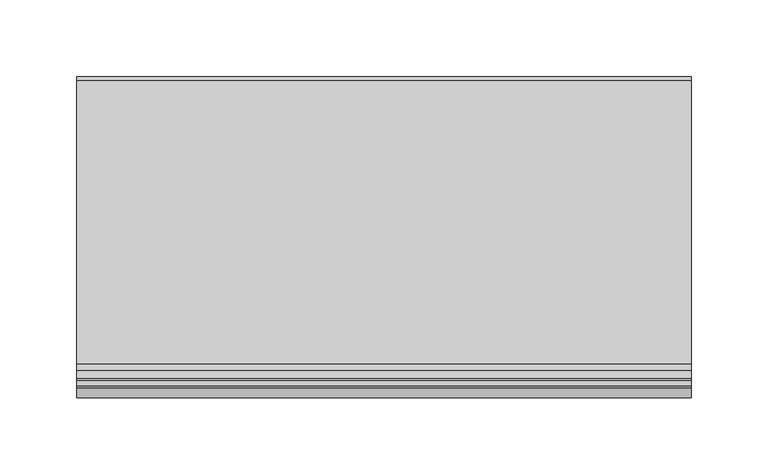
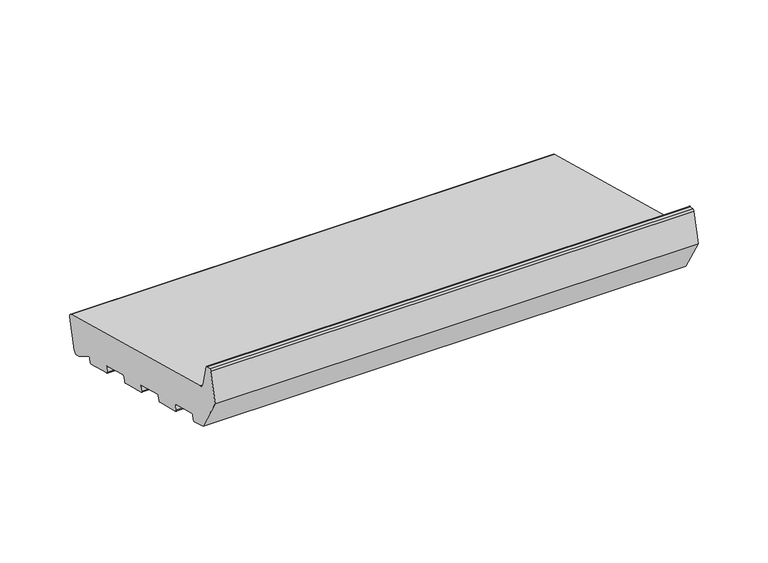
"""IFC4 building model written with IfcOpenShell, lengths in millimetres: proxy geometry."""

from ifc_helpers import new_model, si_unit, point, frame, frame_2d, origin, place, context, project, spatial, polyline, circle_curve, trimmed, segment, composite_curve, outline, extrude, source, transform, mapped, element, save


def generic_models_269deeef(model_context):
    return source(origin(), model_context, "Body", "SweptSolid", [
        extrude(outline(composite_curve([segment(polyline([(27.5646181, 4.649359), (24.8478405, 5.3773174), (10.6796108, 13.9647636)]), True, "CONTINUOUS"), segment(trimmed(circle_curve(frame_2d((10.1612808, 13.1095829)), 1.0), [point((10.6796108, 13.9647636))], [point((9.195355, 13.368402))], True, "CARTESIAN"), True, "CONTINUOUS"), segment(polyline([(9.195355, 13.368402), (8.2461016, 9.8257399)]), True, "CONTINUOUS"), segment(trimmed(circle_curve(frame_2d((7.2801757, 10.084559)), 1.0), [point((8.2461016, 9.8257399))], [point((7.0213567, 9.1186331))], False, "CARTESIAN"), True, "CONTINUOUS"), segment(polyline([(7.0213567, 9.1186331), (-15.1949373, 15.0714712)]), True, "CONTINUOUS"), segment(trimmed(circle_curve(frame_2d((-14.9361183, 16.037397)), 1.0), [point((-15.1949373, 15.0714712))], [point((-15.9020441, 16.2962161))], False, "CARTESIAN"), True, "CONTINUOUS"), segment(polyline([(-15.9020441, 16.2962161), (-14.8667679, 20.1599194)]), True, "CONTINUOUS"), segment(trimmed(circle_curve(frame_2d((-15.8326937, 20.4187384)), 1.0), [point((-14.8667679, 20.1599194))], [point((-15.5738747, 21.3846642))], True, "CARTESIAN"), True, "CONTINUOUS"), segment(polyline([(-15.5738747, 21.3846642), (-38.7560945, 27.5963213)]), True, "CONTINUOUS"), segment(trimmed(circle_curve(frame_2d((-39.0149136, 26.6303955)), 1.0), [point((-38.7560945, 27.5963213))], [point((-39.9808394, 26.8892145))], True, "CARTESIAN"), True, "CONTINUOUS"), segment(polyline([(-39.9808394, 26.8892145), (-41.0161156, 23.0255112)]), True, "CONTINUOUS"), segment(trimmed(circle_curve(frame_2d((-41.9820414, 23.2843303)), 1.0), [point((-41.0161156, 23.0255112))], [point((-42.2408604, 22.3184044))], False, "CARTESIAN"), True, "CONTINUOUS"), segment(polyline([(-42.2408604, 22.3184044), (-64.4571545, 28.2712425)]), True, "CONTINUOUS"), segment(trimmed(circle_curve(frame_2d((-64.1983354, 29.2371683)), 1.0), [point((-64.4571545, 28.2712425))], [point((-65.1642612, 29.4959874))], False, "CARTESIAN"), True, "CONTINUOUS"), segment(polyline([(-65.1642612, 29.4959874), (-64.1289851, 33.3596907)]), True, "CONTINUOUS"), segment(trimmed(circle_curve(frame_2d((-65.0949109, 33.6185097)), 1.0), [point((-64.1289851, 33.3596907))], [point((-64.8360918, 34.5844355))], True, "CARTESIAN"), True, "CONTINUOUS"), segment(polyline([(-64.8360918, 34.5844355), (-88.0183117, 40.7960926)]), True, "CONTINUOUS"), segment(trimmed(circle_curve(frame_2d((-88.2771307, 39.8301668)), 1.0), [point((-88.0183117, 40.7960926))], [point((-89.2430565, 40.0889858))], True, "CARTESIAN"), True, "CONTINUOUS"), segment(polyline([(-89.2430565, 40.0889858), (-90.2783327, 36.2252825)]), True, "CONTINUOUS"), segment(trimmed(circle_curve(frame_2d((-91.2442585, 36.4841016)), 1.0), [point((-90.2783327, 36.2252825))], [point((-91.5030776, 35.5181757))], False, "CARTESIAN"), True, "CONTINUOUS"), segment(polyline([(-91.5030776, 35.5181757), (-113.7193716, 41.4710138)]), True, "CONTINUOUS"), segment(trimmed(circle_curve(frame_2d((-113.4605525, 42.4369396)), 1.0), [point((-113.7193716, 41.4710138))], [point((-114.4264784, 42.6957587))], False, "CARTESIAN"), True, "CONTINUOUS"), segment(polyline([(-114.4264784, 42.6957587), (-113.3912022, 46.559462)]), True, "CONTINUOUS"), segment(trimmed(circle_curve(frame_2d((-114.357128, 46.818281)), 1.0), [point((-113.3912022, 46.559462))], [point((-114.098309, 47.7842068))], True, "CARTESIAN"), True, "CONTINUOUS"), segment(polyline([(-114.098309, 47.7842068), (-137.2805288, 53.9958639)]), True, "CONTINUOUS"), segment(trimmed(circle_curve(frame_2d((-137.5393479, 53.0299381)), 1.0), [point((-137.2805288, 53.9958639))], [point((-138.5052737, 53.2887571))], True, "CARTESIAN"), True, "CONTINUOUS"), segment(polyline([(-138.5052737, 53.2887571), (-139.5405499, 49.4250538)]), True, "CONTINUOUS"), segment(trimmed(circle_curve(frame_2d((-140.5064757, 49.6838729)), 1.0), [point((-139.5405499, 49.4250538))], [point((-140.7652947, 48.717947))], False, "CARTESIAN"), True, "CONTINUOUS"), segment(polyline([(-140.7652947, 48.717947), (-153.3223305, 52.0825946), (-171.0, 82.7012164), (-164.4291321, 107.2240293)]), True, "CONTINUOUS"), segment(trimmed(circle_curve(frame_2d((-162.9802434, 106.8358007)), 1.5), [point((-164.4291321, 107.2240293))], [point((-162.9802434, 108.3358007))], False, "CARTESIAN"), True, "CONTINUOUS"), segment(polyline([(-162.9802434, 108.3358007), (-159.6368689, 108.3358007)]), True, "CONTINUOUS"), segment(trimmed(circle_curve(frame_2d((-159.6368689, 106.8358007)), 1.5), [point((-159.6368689, 108.3358007))], [point((-158.1879801, 107.2240293))], False, "CARTESIAN"), True, "CONTINUOUS"), segment(polyline([(-158.1879801, 107.2240293), (-153.4052841, 89.3747645)]), True, "CONTINUOUS"), segment(trimmed(circle_curve(frame_2d((-147.6097291, 90.9276787)), 6.0), [point((-153.4052841, 89.3747645))], [point((-149.1626434, 85.1321238))], True, "CARTESIAN"), True, "CONTINUOUS"), segment(polyline([(-149.1626434, 85.1321238), (35.8468275, 35.5589855)]), True, "CONTINUOUS"), segment(trimmed(circle_curve(frame_2d((35.0703704, 32.661208)), 3.0), [point((35.8468275, 35.5589855))], [point((37.9681479, 31.8847509))], False, "CARTESIAN"), True, "CONTINUOUS"), segment(polyline([(37.9681479, 31.8847509), (31.2388527, 6.7706794)]), True, "CONTINUOUS"), segment(trimmed(circle_curve(frame_2d((28.3410752, 7.5471365)), 3.0), [point((31.2388527, 6.7706794))], [point((27.5646181, 4.649359))], False, "CARTESIAN"), True, "CONTINUOUS")], self_intersect=False)), frame((0.0, 0.0, 0.0), z_axis=(1.0, 0.0, 0.0), x_axis=(0.0, 1.0, 0.0)), (0.0, 0.0, 1.0), 400.0),
    ])


if __name__ == "__main__":
    model = new_model("IFC4")
    model_context = context("Model", 3, world=origin())
    ifc_project = project(units=[si_unit("LENGTHUNIT", "METRE", prefix="MILLI")], contexts=[model_context])
    site = spatial("IfcSite", under=ifc_project)
    building = spatial("IfcBuilding", under=site)
    placement = place(None, origin())
    generic_models_shape = generic_models_269deeef(model_context)
    element("IfcBuildingElementProxy", 1, Name="Generic Models", at=placement, inside=building, context=model_context, shape_type="MappedRepresentation", body=[
        mapped(generic_models_shape, transform((0.0, 0.0, 0.0), x_axis=(1.0, 0.0, 0.0), y_axis=(0.0, 1.0, 0.0), z_axis=(0.0, 0.0, 1.0))),
    ])
    save(model, "model.ifc")
